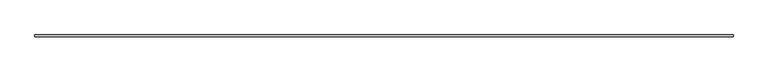
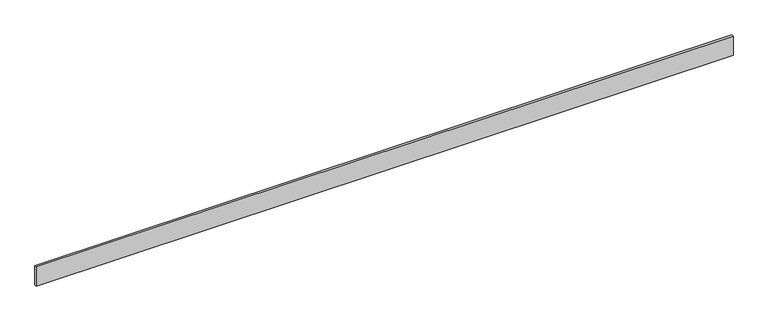
"""IFC4 building model written with IfcOpenShell, lengths in millimetres: furniture geometry."""

from ifc_helpers import new_model, si_unit, origin, origin_with_axes, place, context, project, spatial, polyline, outline, extrude, source, transform, mapped, element, save


def furniture_7fcb3e4b(model_context):
    return source(origin(), model_context, "Body", "SweptSolid", [
        extrude(outline(polyline([(0.0, 0.0), (0.0, 10.0), (3441.4213562, 10.0), (3441.4213562, 0.0), (0.0, 0.0)])), origin_with_axes(), (0.0, 0.0, 1.0), 100.0),
    ])


if __name__ == "__main__":
    model = new_model("IFC4")
    model_context = context("Model", 3, world=origin())
    ifc_project = project(units=[si_unit("LENGTHUNIT", "METRE", prefix="MILLI")], contexts=[model_context])
    site = spatial("IfcSite", under=ifc_project)
    building = spatial("IfcBuilding", under=site)
    placement = place(None, origin())
    furniture_shape = furniture_7fcb3e4b(model_context)
    element("IfcFurniture", 1, at=placement, inside=building, context=model_context, shape_type="MappedRepresentation", body=[
        mapped(furniture_shape, transform((0.0, 0.0, 0.0), x_axis=(1.0, 0.0, 0.0), y_axis=(0.0, 1.0, 0.0), z_axis=(0.0, 0.0, 1.0))),
    ])
    save(model, "model.ifc")
